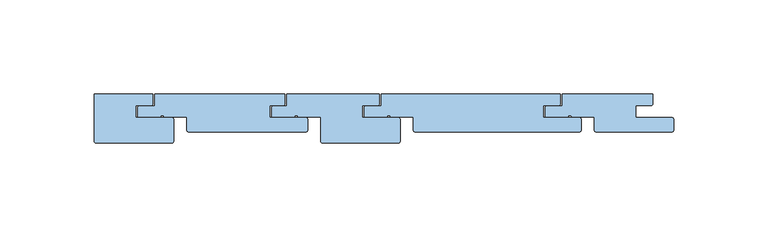
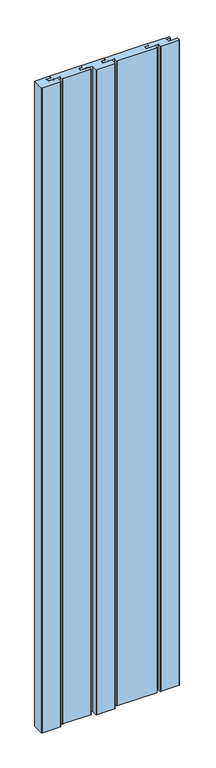
"""IFC4 building model written with IfcOpenShell, lengths in millimetres: window geometry."""

import ifcopenshell
import ifcopenshell.guid

model = None  # the IFC model being written
_history = None  # IfcOwnerHistory: only IFC2X3 demands one
_inside = {}  # id of a spatial element -> (the spatial element, [elements in it])
_under = {}  # id of a project, library or spatial element -> (it, [spatial elements below it])
_declared = {}  # id of a project -> (the project, [libraries it declares])
_typed = {}  # id of a type object -> (the type object, [elements of that type])
_made_of = {}  # id of a material, layer set ... -> (it, [elements and type objects made of it])


def new_model(schema):
    """Start an empty IFC model of exactly this schema.

    Asked for "IFC4X3", IfcOpenShell would pick the latest addendum, in which some entities
    have other attributes; the version numbers below select the first issue.
    IFC2X3 requires an IfcOwnerHistory on every rooted entity: one is made here for all.
    """
    global model, _history
    if schema == "IFC4X3":
        model = ifcopenshell.file(schema_version=(4, 3, 0, 0))
    else:
        model = ifcopenshell.file(schema=schema)
    _inside.clear()
    _under.clear()
    _declared.clear()
    _typed.clear()
    _made_of.clear()
    _history = None
    if model.schema == "IFC2X3":
        org = make("IfcOrganization", Name="unknown")
        user = make(
            "IfcPersonAndOrganization",
            ThePerson=make("IfcPerson", FamilyName="unknown"),
            TheOrganization=org,
        )
        app = make(
            "IfcApplication",
            ApplicationDeveloper=org,
            Version="unknown",
            ApplicationFullName="unknown",
            ApplicationIdentifier="unknown",
        )
        _history = make(
            "IfcOwnerHistory",
            OwningUser=user,
            OwningApplication=app,
            ChangeAction="ADDED",
            CreationDate=0,
        )
    return model


def make(cls, **values):
    """One entity of the class cls with the attributes given. An attribute that is None is left unset."""
    return model.create_entity(
        cls, **{name: value for name, value in values.items() if value is not None}
    )


def rooted(cls, **values):
    """An entity with a GlobalId (a new one), such as an element, a storey or a relation."""
    return make(cls, GlobalId=ifcopenshell.guid.new(), OwnerHistory=_history, **values)


def si_unit(unit_type, name, prefix=None):
    """IfcSIUnit, for example si_unit("LENGTHUNIT", "METRE", prefix="MILLI")."""
    return make("IfcSIUnit", UnitType=unit_type, Prefix=prefix, Name=name)


def assignment(units):
    """IfcUnitAssignment: the units of a project."""
    return None if units is None else make("IfcUnitAssignment", Units=units)


def point(xyz):
    """IfcCartesianPoint."""
    return None if xyz is None else make("IfcCartesianPoint", Coordinates=xyz)


def direction(xyz):
    """IfcDirection."""
    return None if xyz is None else make("IfcDirection", DirectionRatios=xyz)


def frame(location, z_axis=None, x_axis=None):
    """IfcAxis2Placement3D, a coordinate frame: its origin and axes. An axis left out is left unset."""
    return make(
        "IfcAxis2Placement3D",
        Location=point(location),
        Axis=direction(z_axis),
        RefDirection=direction(x_axis),
    )


def origin():
    """The frame at (0, 0, 0) with its axes left unset."""
    return frame((0.0, 0.0, 0.0))


def place(relative_to, where):
    """IfcLocalPlacement: puts the frame where relative to a parent placement (None: the world)."""
    return make(
        "IfcLocalPlacement", PlacementRelTo=relative_to, RelativePlacement=where
    )


def context(
    kind, dimensions, precision=None, world=None, true_north=None, identifier=None
):
    """IfcGeometricRepresentationContext, for example the 3D "Model" context."""
    return make(
        "IfcGeometricRepresentationContext",
        ContextIdentifier=identifier,
        ContextType=kind,
        CoordinateSpaceDimension=dimensions,
        Precision=precision,
        WorldCoordinateSystem=world,
        TrueNorth=true_north,
    )


def project(units=None, contexts=None):
    """IfcProject with its units and contexts."""
    return rooted(
        "IfcProject",
        Name="project",
        RepresentationContexts=contexts,
        UnitsInContext=assignment(units),
    )


def spatial(cls, under=None, at=None, **own):
    """A site, building, storey or space (cls), placed at a placement, below another one or the project."""
    s = rooted(cls, ObjectPlacement=at, **own)
    if under is not None:
        _under.setdefault(under.id(), (under, []))[1].append(s)
    return s


def polyline(points):
    """IfcPolyline through the points."""
    return make("IfcPolyline", Points=[point(p) for p in points])


def circle_curve(where, radius):
    """IfcCircle in the frame where."""
    return make("IfcCircle", Position=where, Radius=radius)


def shape(context_of_items, identifier, shape_type, items):
    """IfcShapeRepresentation: the items that make up one representation, for example the "Body"."""
    return make(
        "IfcShapeRepresentation",
        ContextOfItems=context_of_items,
        RepresentationIdentifier=identifier,
        RepresentationType=shape_type,
        Items=items,
    )


def source(mapping_origin, context_of_items, identifier, shape_type, items):
    """IfcRepresentationMap: a shape defined once, which mapped items show again and again."""
    return make(
        "IfcRepresentationMap",
        MappingOrigin=mapping_origin,
        MappedRepresentation=shape(context_of_items, identifier, shape_type, items),
    )


def transform(
    local_origin,
    x_axis=None,
    y_axis=None,
    z_axis=None,
    scale=None,
    scale2=None,
    scale3=None,
    uniform=True,
):
    """IfcCartesianTransformationOperator3D, or its non-uniform kind. x_axis, y_axis, z_axis: its Axis1, 2, 3."""
    if uniform:
        return make(
            "IfcCartesianTransformationOperator3D",
            Axis1=direction(x_axis),
            Axis2=direction(y_axis),
            LocalOrigin=point(local_origin),
            Scale=scale,
            Axis3=direction(z_axis),
        )
    return make(
        "IfcCartesianTransformationOperator3DnonUniform",
        Axis1=direction(x_axis),
        Axis2=direction(y_axis),
        LocalOrigin=point(local_origin),
        Scale=scale,
        Axis3=direction(z_axis),
        Scale2=scale2,
        Scale3=scale3,
    )


def mapped(mapping_source, mapping_target):
    """IfcMappedItem: shows the shape of a source again, moved by a transform."""
    return make(
        "IfcMappedItem", MappingSource=mapping_source, MappingTarget=mapping_target
    )


def made_of(thing, what):
    """Note that an element or type object is made of a material, layer set ...; save() writes the relation."""
    if what is not None:
        _made_of.setdefault(what.id(), (what, []))[1].append(thing)
    return thing


def element(
    cls,
    number,
    at=None,
    inside=None,
    cuts=None,
    type_object=None,
    material=None,
    context=None,
    identifier="Body",
    shape_type=None,
    held_by="IfcProductDefinitionShape",
    body=None,
    shapes=None,
    **own,
):
    """One element of the class cls, such as IfcWall. Its Tag is "e" and its number.

    at: its placement. inside: the storey or other place that contains it. cuts: it is an
    opening in that element (IfcRelVoidsElement). A single representation is given by context,
    identifier, shape_type and body (its items); several are given by shapes. held_by: the class
    of the entity that holds the representations. save() writes the other relations.
    """
    e = rooted(cls, Tag="e%d" % number, ObjectPlacement=at, **own)
    if body is not None:
        shapes = [shape(context, identifier, shape_type, body)]
    if shapes is not None:
        e.Representation = make(held_by, Representations=shapes)
    if inside is not None:
        _inside.setdefault(inside.id(), (inside, []))[1].append(e)
    if cuts is not None:
        rooted(
            "IfcRelVoidsElement", RelatingBuildingElement=cuts, RelatedOpeningElement=e
        )
    if type_object is not None:
        _typed.setdefault(type_object.id(), (type_object, []))[1].append(e)
    return made_of(e, material)


def aggregate(whole, parts):
    """IfcRelAggregates: a whole, such as a stair, and the parts it consists of."""
    return rooted("IfcRelAggregates", RelatingObject=whole, RelatedObjects=parts)


def save(model, path):
    """Write the relations noted so far, then the file.

    IfcRelAggregates (storeys below a building ...), IfcRelContainedInSpatialStructure (elements
    in a storey), IfcRelDefinesByType, IfcRelAssociatesMaterial and IfcRelDeclares: one each for
    every whole, place, type object, material and project.
    """
    for whole, parts in _under.values():
        aggregate(whole, parts)
    for where, things in _inside.values():
        rooted(
            "IfcRelContainedInSpatialStructure",
            RelatedElements=things,
            RelatingStructure=where,
        )
    for kind, things in _typed.values():
        rooted("IfcRelDefinesByType", RelatedObjects=things, RelatingType=kind)
    for what, things in _made_of.values():
        rooted("IfcRelAssociatesMaterial", RelatedObjects=things, RelatingMaterial=what)
    for by, libraries in _declared.values():
        rooted("IfcRelDeclares", RelatingContext=by, RelatedDefinitions=libraries)
    model.write(path)


def plane_surface(at):
    """IfcPlane: the flat surface through the origin of the frame at, square to its z axis."""
    return make("IfcPlane", Position=at)


def cylinder_surface(at, radius):
    """IfcCylindricalSurface: all points at the distance radius from the z axis of the frame at."""
    return make("IfcCylindricalSurface", Position=at, Radius=radius)


def revolved_surface(curve, axis_point, axis_direction):
    """IfcSurfaceOfRevolution: the curve turned about the line through axis_point along axis_direction."""
    return make(
        "IfcSurfaceOfRevolution",
        SweptCurve=make("IfcArbitraryOpenProfileDef", ProfileType="CURVE", Curve=curve),
        AxisPosition=make("IfcAxis1Placement", Location=point(axis_point), Axis=direction(axis_direction)),
    )


def advanced_brep(points, edges, surfaces, faces):
    """IfcAdvancedBrep: a solid bounded by faces that lie on surfaces and meet in shared edges.

    An edge is (start, end): straight between two places in points (the first is 0);
    or (start, end, curve); or (start, end, curve, False) where it runs against its curve.
    A face is (place in surfaces, loops), or (place, loops, False) where it looks against
    its surface's normal. A loop lists edges by number (the first is 1), with a minus sign
    where the edge is run from its end to its start. The first loop is the outer one.
    """
    corners = [point(p) for p in points]
    vertices = [make("IfcVertexPoint", VertexGeometry=c) for c in corners]
    made = []
    for start, end, *more in edges:
        made.append(
            make(
                "IfcEdgeCurve",
                EdgeStart=vertices[start],
                EdgeEnd=vertices[end],
                EdgeGeometry=more[0] if more else make("IfcPolyline", Points=[corners[start], corners[end]]),
                SameSense=more[1] if len(more) > 1 else True,
            )
        )
    hull = []
    for where, loops, *sense in faces:
        bounds = []
        for j, loop in enumerate(loops):
            ring = [make("IfcOrientedEdge", EdgeElement=made[abs(k) - 1], Orientation=k > 0) for k in loop]
            bounds.append(
                make(
                    "IfcFaceOuterBound" if j == 0 else "IfcFaceBound",
                    Bound=make("IfcEdgeLoop", EdgeList=ring),
                    Orientation=True,
                )
            )
        hull.append(make("IfcAdvancedFace", Bounds=bounds, FaceSurface=surfaces[where], SameSense=sense[0] if sense else True))
    return make("IfcAdvancedBrep", Outer=make("IfcClosedShell", CfsFaces=hull))


def window_dbae3ca9(model_context):
    return source(origin(), model_context, "Body", "AdvancedBrep", [
        advanced_brep(
        [(-470.5, -30.25, 100.0), (-463.5, -30.25, 100.0), (-463.5, -24.0, 100.0), (-414.5, -24.0, 100.0), (-414.5, -29.0, 100.0), (-415.5, -30.0, 100.0), (-423.5, -30.0, 100.0), (-423.5, -36.5, 100.0), (-404.5, -36.5, 100.0), (-403.5, -37.5, 100.0), (-403.5, -48.9818438, 100.0), (-404.5036459, -50.0, 100.0), (-444.4961892, -50.0, 100.0), (-445.5, -49.0000073, 100.0), (-445.5, -36.25, 100.0), (-456.7593234, -36.25, 100.0), (-457.6213296, -35.7465238, 100.0), (-459.3786704, -35.7465238, 100.0), (-460.2358303, -36.25, 100.0), (-471.5, -36.25, 100.0), (-471.5, -31.25, 100.0), (-470.5, -30.25, 1600.0), (-471.5, -31.25, 1600.0), (-471.5, -36.25, 1600.0), (-460.2358303, -36.25, 1600.0), (-459.3786704, -35.7465238, 1600.0), (-457.6213296, -35.7465238, 1600.0), (-456.7593234, -36.25, 1600.0), (-445.5, -36.25, 1600.0), (-445.5, -49.0000073, 1600.0), (-444.4961892, -50.0, 1600.0), (-404.5036459, -50.0, 1600.0), (-403.5, -48.9818438, 1600.0), (-403.5, -37.5, 1600.0), (-404.5, -36.5, 1600.0), (-423.5, -36.5, 1600.0), (-423.5, -30.0, 1600.0), (-415.5, -30.0, 1600.0), (-414.5, -29.0, 1600.0), (-414.5, -24.0, 1600.0), (-463.5, -24.0, 1600.0), (-463.5, -30.25, 1600.0)],
        [
            (0, 1),
            (1, 2),
            (2, 3),
            (3, 4),
            (4, 5, circle_curve(frame((-415.5, -29.0, 100.0), z_axis=(0.0, 0.0, -1.0), x_axis=(1.0, 0.0, 0.0)), 1.0)),
            (5, 6),
            (6, 7),
            (7, 8),
            (8, 9, circle_curve(frame((-404.5, -37.5, 100.0), z_axis=(0.0, 0.0, -1.0), x_axis=(0.0, 1.0, 0.0)), 1.0)),
            (9, 10),
            (10, 11, circle_curve(frame((-404.499835, -49.0000073, 100.0), z_axis=(0.0, 0.0, -1.0), x_axis=(0.9998350304118646, 0.018163478777638065, 0.0)), 1.0)),
            (11, 12),
            (12, 13, circle_curve(frame((-444.5, -49.0000073, 100.0), z_axis=(0.0, 0.0, -1.0), x_axis=(0.0038108417907020734, -0.99999273871606, 0.0)), 1.0)),
            (13, 14),
            (14, 15),
            (15, 16, circle_curve(frame((-456.7531214, -35.2497192, 100.0), z_axis=(0.0, 0.0, -1.0), x_axis=(-0.006200139387016843, -0.9999807789510665, 0.0)), 1.0003001)),
            (16, 17, circle_curve(frame((-458.5, -36.2239526, 100.0), z_axis=(0.0, 0.0, 1.0), x_axis=(0.878670405032909, 0.4774288630982668, 0.0)), 1.0)),
            (17, 18, circle_curve(frame((-460.2467275, -35.2500594, 100.0), z_axis=(0.0, 0.0, -1.0), x_axis=(0.8680570812982431, -0.4964644031629814, 0.0)), 1.0)),
            (18, 19),
            (19, 20),
            (20, 0, circle_curve(frame((-470.5, -31.25, 100.0), z_axis=(0.0, 0.0, -1.0), x_axis=(-1.0, 0.0, 0.0)), 1.0)),
            (21, 22, circle_curve(frame((-470.5, -31.25, 1600.0), z_axis=(0.0, 0.0, 1.0), x_axis=(-1.0, 0.0, 0.0)), 1.0)),
            (22, 23),
            (23, 24),
            (24, 25, circle_curve(frame((-460.2467275, -35.2500594, 1600.0), z_axis=(0.0, 0.0, 1.0), x_axis=(0.8680570812982431, -0.4964644031629814, 0.0)), 1.0)),
            (25, 26, circle_curve(frame((-458.5, -36.2239526, 1600.0), z_axis=(0.0, 0.0, -1.0), x_axis=(0.878670405032909, 0.4774288630982668, 0.0)), 1.0)),
            (26, 27, circle_curve(frame((-456.7531214, -35.2497192, 1600.0), z_axis=(0.0, 0.0, 1.0), x_axis=(-0.006200139387016843, -0.9999807789510665, 0.0)), 1.0003001)),
            (27, 28),
            (28, 29),
            (29, 30, circle_curve(frame((-444.5, -49.0000073, 1600.0), z_axis=(0.0, 0.0, 1.0), x_axis=(0.0038108417907020734, -0.99999273871606, 0.0)), 1.0)),
            (30, 31),
            (31, 32, circle_curve(frame((-404.499835, -49.0000073, 1600.0), z_axis=(0.0, 0.0, 1.0), x_axis=(0.9998350304118646, 0.018163478777638065, 0.0)), 1.0)),
            (32, 33),
            (33, 34, circle_curve(frame((-404.5, -37.5, 1600.0), z_axis=(0.0, 0.0, 1.0), x_axis=(0.0, 1.0, 0.0)), 1.0)),
            (34, 35),
            (35, 36),
            (36, 37),
            (37, 38, circle_curve(frame((-415.5, -29.0, 1600.0), z_axis=(0.0, 0.0, 1.0), x_axis=(1.0, 0.0, 0.0)), 1.0)),
            (38, 39),
            (39, 40),
            (40, 41),
            (41, 21),
            (20, 22),
            (21, 0),
            (19, 23),
            (18, 24),
            (17, 25),
            (16, 26),
            (15, 27),
            (14, 28),
            (13, 29),
            (12, 30),
            (11, 31),
            (10, 32),
            (9, 33),
            (8, 34),
            (7, 35),
            (6, 36),
            (5, 37),
            (4, 38),
            (3, 39),
            (2, 40),
            (1, 41),
        ],
        [
            plane_surface(frame((-566.5, -100.0, 100.0), z_axis=(0.0, 0.0, -1.0), x_axis=(1.0, 0.0, 0.0))),
            plane_surface(frame((-566.5, -100.0, 1600.0), z_axis=(0.0, 0.0, 1.0), x_axis=(1.0, 0.0, 0.0))),
            cylinder_surface(frame((-470.5, -31.25, 100.0), z_axis=(0.0, 0.0, -1.0), x_axis=(-1.0, 0.0, 0.0)), 1.0),
            plane_surface(frame((-471.5, -31.25, 100.0), z_axis=(-1.0, 0.0, 0.0), x_axis=(0.0, 0.0, 1.0))),
            plane_surface(frame((-471.5, -36.25, 100.0), z_axis=(0.0, -1.0, 0.0), x_axis=(0.0, 0.0, 1.0))),
            cylinder_surface(frame((-460.2467275, -35.2500594, 100.0), z_axis=(0.0, 0.0, -1.0), x_axis=(0.8680570812982431, -0.4964644031629814, 0.0)), 1.0),
            revolved_surface(polyline([(-457.6213295949671, -35.74652373690173, 1600.0000000000005), (-457.6213295949671, -35.74652373690173, 100.0)]), (-458.5, -36.2239526, 100.0), (0.0, 0.0, 1.0000000000000002)),
            cylinder_surface(frame((-456.7531214, -35.2497192, 100.0), z_axis=(0.0, 0.0, -1.0), x_axis=(-0.006200139387016843, -0.9999807789510665, 0.0)), 1.0003001),
            plane_surface(frame((-456.7593234, -36.25, 100.0), z_axis=(0.0, -1.0, 0.0), x_axis=(0.0, 0.0, 1.0))),
            plane_surface(frame((-445.5, -36.25, 100.0), z_axis=(-1.0, 0.0, 0.0), x_axis=(0.0, 0.0, 1.0))),
            cylinder_surface(frame((-444.5, -49.0000073, 100.0), z_axis=(0.0, 0.0, -1.0), x_axis=(0.0038108417907020734, -0.99999273871606, 0.0)), 1.0),
            plane_surface(frame((-444.4961892, -50.0, 100.0), z_axis=(0.0, -1.0, 0.0), x_axis=(0.0, 0.0, 1.0))),
            cylinder_surface(frame((-404.499835, -49.0000073, 100.0), z_axis=(0.0, 0.0, -1.0), x_axis=(0.9998350304118646, 0.018163478777638065, 0.0)), 1.0),
            plane_surface(frame((-403.5, -48.9818438, 100.0), z_axis=(1.0, 0.0, 0.0), x_axis=(0.0, 0.0, 1.0))),
            cylinder_surface(frame((-404.5, -37.5, 100.0), z_axis=(0.0, 0.0, -1.0), x_axis=(0.0, 1.0, 0.0)), 1.0),
            plane_surface(frame((-404.5, -36.5, 100.0), z_axis=(0.0, 1.0, 0.0), x_axis=(0.0, 0.0, 1.0))),
            plane_surface(frame((-423.5, -36.5, 100.0), z_axis=(1.0, 0.0, 0.0), x_axis=(0.0, 0.0, 1.0))),
            plane_surface(frame((-423.5, -30.0, 100.0), z_axis=(0.0, -1.0, 0.0), x_axis=(0.0, 0.0, 1.0))),
            cylinder_surface(frame((-415.5, -29.0, 100.0), z_axis=(0.0, 0.0, -1.0), x_axis=(1.0, 0.0, 0.0)), 1.0),
            plane_surface(frame((-414.5, -29.0, 100.0), z_axis=(1.0, 0.0, 0.0), x_axis=(0.0, 0.0, 1.0))),
            plane_surface(frame((-414.5, -24.0, 100.0), z_axis=(0.0, 1.0, 0.0), x_axis=(0.0, 0.0, 1.0))),
            plane_surface(frame((-463.5, -24.0, 100.0), z_axis=(-1.0, 0.0, 0.0), x_axis=(0.0, 0.0, 1.0))),
            plane_surface(frame((-463.5, -30.25, 100.0), z_axis=(0.0, 1.0, 0.0), x_axis=(0.0, 0.0, 1.0))),
        ],
        [
            (0, [[1, 2, 3, 4, 5, 6, 7, 8, 9, 10, 11, 12, 13, 14, 15, 16, 17, 18, 19, 20, 21]]),
            (1, [[22, 23, 24, 25, 26, 27, 28, 29, 30, 31, 32, 33, 34, 35, 36, 37, 38, 39, 40, 41, 42]]),
            (2, [[43, -22, 44, -21]]),
            (3, [[45, -23, -43, -20]]),
            (4, [[46, -24, -45, -19]]),
            (5, [[47, -25, -46, -18]]),
            (6, [[48, -26, -47, -17]]),
            (7, [[49, -27, -48, -16]]),
            (8, [[50, -28, -49, -15]]),
            (9, [[51, -29, -50, -14]]),
            (10, [[52, -30, -51, -13]]),
            (11, [[53, -31, -52, -12]]),
            (12, [[54, -32, -53, -11]]),
            (13, [[55, -33, -54, -10]]),
            (14, [[56, -34, -55, -9]]),
            (15, [[57, -35, -56, -8]]),
            (16, [[58, -36, -57, -7]]),
            (17, [[59, -37, -58, -6]]),
            (18, [[60, -38, -59, -5]]),
            (19, [[61, -39, -60, -4]]),
            (20, [[62, -40, -61, -3]]),
            (21, [[63, -41, -62, -2]]),
            (22, [[-44, -42, -63, -1]]),
        ],
    ),
        advanced_brep(
        [(-421.5, -30.25, 100.0), (-413.5, -30.25, 100.0), (-413.5, -24.0, 100.0), (-318.5, -24.0, 100.0), (-318.5, -29.0, 100.0), (-319.5, -30.0, 100.0), (-327.5, -30.0, 100.0), (-327.5, -36.5, 100.0), (-308.5, -36.5, 100.0), (-307.5, -37.5, 100.0), (-307.5, -42.9818438, 100.0), (-308.5036459, -44.0, 100.0), (-395.4961892, -44.0, 100.0), (-396.5, -43.0000073, 100.0), (-396.5, -36.25, 100.0), (-407.7593234, -36.25, 100.0), (-408.6213296, -35.7465238, 100.0), (-410.3786704, -35.7465238, 100.0), (-411.2358303, -36.25, 100.0), (-422.5, -36.25, 100.0), (-422.5, -31.25, 100.0), (-421.5, -30.25, 1600.0), (-422.5, -31.25, 1600.0), (-422.5, -36.25, 1600.0), (-411.2358303, -36.25, 1600.0), (-410.3786704, -35.7465238, 1600.0), (-408.6213296, -35.7465238, 1600.0), (-407.7593234, -36.25, 1600.0), (-396.5, -36.25, 1600.0), (-396.5, -43.0000073, 1600.0), (-395.4961892, -44.0, 1600.0), (-308.5036459, -44.0, 1600.0), (-307.5, -42.9818438, 1600.0), (-307.5, -37.5, 1600.0), (-308.5, -36.5, 1600.0), (-327.5, -36.5, 1600.0), (-327.5, -30.0, 1600.0), (-319.5, -30.0, 1600.0), (-318.5, -29.0, 1600.0), (-318.5, -24.0, 1600.0), (-413.5, -24.0, 1600.0), (-413.5, -30.25, 1600.0)],
        [
            (0, 1),
            (1, 2),
            (2, 3),
            (3, 4),
            (4, 5, circle_curve(frame((-319.5, -29.0, 100.0), z_axis=(0.0, 0.0, -1.0), x_axis=(1.0, 0.0, 0.0)), 1.0)),
            (5, 6),
            (6, 7),
            (7, 8),
            (8, 9, circle_curve(frame((-308.5, -37.5, 100.0), z_axis=(0.0, 0.0, -1.0), x_axis=(0.0, 1.0, 0.0)), 1.0)),
            (9, 10),
            (10, 11, circle_curve(frame((-308.499835, -43.0000073, 100.0), z_axis=(0.0, 0.0, -1.0), x_axis=(0.9998350304118646, 0.018163478777638065, 0.0)), 1.0)),
            (11, 12),
            (12, 13, circle_curve(frame((-395.5, -43.0000073, 100.0), z_axis=(0.0, 0.0, -1.0), x_axis=(0.0038108417907020734, -0.99999273871606, 0.0)), 1.0)),
            (13, 14),
            (14, 15),
            (15, 16, circle_curve(frame((-407.7531214, -35.2497192, 100.0), z_axis=(0.0, 0.0, -1.0), x_axis=(-0.006200139387016843, -0.9999807789510665, 0.0)), 1.0003001)),
            (16, 17, circle_curve(frame((-409.5, -36.2239526, 100.0), z_axis=(0.0, 0.0, 1.0), x_axis=(0.878670405032909, 0.4774288630982668, 0.0)), 1.0)),
            (17, 18, circle_curve(frame((-411.2467275, -35.2500594, 100.0), z_axis=(0.0, 0.0, -1.0), x_axis=(0.8680570812982431, -0.4964644031629814, 0.0)), 1.0)),
            (18, 19),
            (19, 20),
            (20, 0, circle_curve(frame((-421.5, -31.25, 100.0), z_axis=(0.0, 0.0, -1.0), x_axis=(-1.0, 0.0, 0.0)), 1.0)),
            (21, 22, circle_curve(frame((-421.5, -31.25, 1600.0), z_axis=(0.0, 0.0, 1.0), x_axis=(-1.0, 0.0, 0.0)), 1.0)),
            (22, 23),
            (23, 24),
            (24, 25, circle_curve(frame((-411.2467275, -35.2500594, 1600.0), z_axis=(0.0, 0.0, 1.0), x_axis=(0.8680570812982431, -0.4964644031629814, 0.0)), 1.0)),
            (25, 26, circle_curve(frame((-409.5, -36.2239526, 1600.0), z_axis=(0.0, 0.0, -1.0), x_axis=(0.878670405032909, 0.4774288630982668, 0.0)), 1.0)),
            (26, 27, circle_curve(frame((-407.7531214, -35.2497192, 1600.0), z_axis=(0.0, 0.0, 1.0), x_axis=(-0.006200139387016843, -0.9999807789510665, 0.0)), 1.0003001)),
            (27, 28),
            (28, 29),
            (29, 30, circle_curve(frame((-395.5, -43.0000073, 1600.0), z_axis=(0.0, 0.0, 1.0), x_axis=(0.0038108417907020734, -0.99999273871606, 0.0)), 1.0)),
            (30, 31),
            (31, 32, circle_curve(frame((-308.499835, -43.0000073, 1600.0), z_axis=(0.0, 0.0, 1.0), x_axis=(0.9998350304118646, 0.018163478777638065, 0.0)), 1.0)),
            (32, 33),
            (33, 34, circle_curve(frame((-308.5, -37.5, 1600.0), z_axis=(0.0, 0.0, 1.0), x_axis=(0.0, 1.0, 0.0)), 1.0)),
            (34, 35),
            (35, 36),
            (36, 37),
            (37, 38, circle_curve(frame((-319.5, -29.0, 1600.0), z_axis=(0.0, 0.0, 1.0), x_axis=(1.0, 0.0, 0.0)), 1.0)),
            (38, 39),
            (39, 40),
            (40, 41),
            (41, 21),
            (20, 22),
            (21, 0),
            (19, 23),
            (18, 24),
            (17, 25),
            (16, 26),
            (15, 27),
            (14, 28),
            (13, 29),
            (12, 30),
            (11, 31),
            (10, 32),
            (9, 33),
            (8, 34),
            (7, 35),
            (6, 36),
            (5, 37),
            (4, 38),
            (3, 39),
            (2, 40),
            (1, 41),
        ],
        [
            plane_surface(frame((-566.5, -100.0, 100.0), z_axis=(0.0, 0.0, -1.0), x_axis=(1.0, 0.0, 0.0))),
            plane_surface(frame((-566.5, -100.0, 1600.0), z_axis=(0.0, 0.0, 1.0), x_axis=(1.0, 0.0, 0.0))),
            cylinder_surface(frame((-421.5, -31.25, 100.0), z_axis=(0.0, 0.0, -1.0), x_axis=(-1.0, 0.0, 0.0)), 1.0),
            plane_surface(frame((-422.5, -31.25, 100.0), z_axis=(-1.0, 0.0, 0.0), x_axis=(0.0, 0.0, 1.0))),
            plane_surface(frame((-422.5, -36.25, 100.0), z_axis=(0.0, -1.0, 0.0), x_axis=(0.0, 0.0, 1.0))),
            cylinder_surface(frame((-411.2467275, -35.2500594, 100.0), z_axis=(0.0, 0.0, -1.0), x_axis=(0.8680570812982431, -0.4964644031629814, 0.0)), 1.0),
            revolved_surface(polyline([(-408.6213295949671, -35.74652373690173, 1600.0000000000005), (-408.6213295949671, -35.74652373690173, 100.0)]), (-409.5, -36.2239526, 100.0), (0.0, 0.0, 1.0000000000000002)),
            cylinder_surface(frame((-407.7531214, -35.2497192, 100.0), z_axis=(0.0, 0.0, -1.0), x_axis=(-0.006200139387016843, -0.9999807789510665, 0.0)), 1.0003001),
            plane_surface(frame((-407.7593234, -36.25, 100.0), z_axis=(0.0, -1.0, 0.0), x_axis=(0.0, 0.0, 1.0))),
            plane_surface(frame((-396.5, -36.25, 100.0), z_axis=(-1.0, 0.0, 0.0), x_axis=(0.0, 0.0, 1.0))),
            cylinder_surface(frame((-395.5, -43.0000073, 100.0), z_axis=(0.0, 0.0, -1.0), x_axis=(0.0038108417907020734, -0.99999273871606, 0.0)), 1.0),
            plane_surface(frame((-395.4961892, -44.0, 100.0), z_axis=(0.0, -1.0, 0.0), x_axis=(0.0, 0.0, 1.0))),
            cylinder_surface(frame((-308.499835, -43.0000073, 100.0), z_axis=(0.0, 0.0, -1.0), x_axis=(0.9998350304118646, 0.018163478777638065, 0.0)), 1.0),
            plane_surface(frame((-307.5, -42.9818438, 100.0), z_axis=(1.0, 0.0, 0.0), x_axis=(0.0, 0.0, 1.0))),
            cylinder_surface(frame((-308.5, -37.5, 100.0), z_axis=(0.0, 0.0, -1.0), x_axis=(0.0, 1.0, 0.0)), 1.0),
            plane_surface(frame((-308.5, -36.5, 100.0), z_axis=(0.0, 1.0, 0.0), x_axis=(0.0, 0.0, 1.0))),
            plane_surface(frame((-327.5, -36.5, 100.0), z_axis=(1.0, 0.0, 0.0), x_axis=(0.0, 0.0, 1.0))),
            plane_surface(frame((-327.5, -30.0, 100.0), z_axis=(0.0, -1.0, 0.0), x_axis=(0.0, 0.0, 1.0))),
            cylinder_surface(frame((-319.5, -29.0, 100.0), z_axis=(0.0, 0.0, -1.0), x_axis=(1.0, 0.0, 0.0)), 1.0),
            plane_surface(frame((-318.5, -29.0, 100.0), z_axis=(1.0, 0.0, 0.0), x_axis=(0.0, 0.0, 1.0))),
            plane_surface(frame((-318.5, -24.0, 100.0), z_axis=(0.0, 1.0, 0.0), x_axis=(0.0, 0.0, 1.0))),
            plane_surface(frame((-413.5, -24.0, 100.0), z_axis=(-1.0, 0.0, 0.0), x_axis=(0.0, 0.0, 1.0))),
            plane_surface(frame((-413.5, -30.25, 100.0), z_axis=(0.0, 1.0, 0.0), x_axis=(0.0, 0.0, 1.0))),
        ],
        [
            (0, [[1, 2, 3, 4, 5, 6, 7, 8, 9, 10, 11, 12, 13, 14, 15, 16, 17, 18, 19, 20, 21]]),
            (1, [[22, 23, 24, 25, 26, 27, 28, 29, 30, 31, 32, 33, 34, 35, 36, 37, 38, 39, 40, 41, 42]]),
            (2, [[43, -22, 44, -21]]),
            (3, [[45, -23, -43, -20]]),
            (4, [[46, -24, -45, -19]]),
            (5, [[47, -25, -46, -18]]),
            (6, [[48, -26, -47, -17]]),
            (7, [[49, -27, -48, -16]]),
            (8, [[50, -28, -49, -15]]),
            (9, [[51, -29, -50, -14]]),
            (10, [[52, -30, -51, -13]]),
            (11, [[53, -31, -52, -12]]),
            (12, [[54, -32, -53, -11]]),
            (13, [[55, -33, -54, -10]]),
            (14, [[56, -34, -55, -9]]),
            (15, [[57, -35, -56, -8]]),
            (16, [[58, -36, -57, -7]]),
            (17, [[59, -37, -58, -6]]),
            (18, [[60, -38, -59, -5]]),
            (19, [[61, -39, -60, -4]]),
            (20, [[62, -40, -61, -3]]),
            (21, [[63, -41, -62, -2]]),
            (22, [[-44, -42, -63, -1]]),
        ],
    ),
        advanced_brep(
        [(-325.5, -30.25, 100.0), (-317.5, -30.25, 100.0), (-317.5, -24.0, 100.0), (-269.5, -24.0, 100.0), (-269.5, -29.0, 100.0), (-270.5, -30.0, 100.0), (-278.5, -30.0, 100.0), (-278.5, -36.5, 100.0), (-259.5, -36.5, 100.0), (-258.5, -37.5, 100.0), (-258.5, -42.9818438, 100.0), (-259.5036459, -44.0, 100.0), (-299.4961892, -44.0, 100.0), (-300.5, -43.0000073, 100.0), (-300.5, -36.25, 100.0), (-311.7593234, -36.25, 100.0), (-312.6213296, -35.7465238, 100.0), (-314.3786704, -35.7465238, 100.0), (-315.2358303, -36.25, 100.0), (-326.5, -36.25, 100.0), (-326.5, -31.25, 100.0), (-325.5, -30.25, 1600.0), (-326.5, -31.25, 1600.0), (-326.5, -36.25, 1600.0), (-315.2358303, -36.25, 1600.0), (-314.3786704, -35.7465238, 1600.0), (-312.6213296, -35.7465238, 1600.0), (-311.7593234, -36.25, 1600.0), (-300.5, -36.25, 1600.0), (-300.5, -43.0000073, 1600.0), (-299.4961892, -44.0, 1600.0), (-259.5036459, -44.0, 1600.0), (-258.5, -42.9818438, 1600.0), (-258.5, -37.5, 1600.0), (-259.5, -36.5, 1600.0), (-278.5, -36.5, 1600.0), (-278.5, -30.0, 1600.0), (-270.5, -30.0, 1600.0), (-269.5, -29.0, 1600.0), (-269.5, -24.0, 1600.0), (-317.5, -24.0, 1600.0), (-317.5, -30.25, 1600.0)],
        [
            (0, 1),
            (1, 2),
            (2, 3),
            (3, 4),
            (4, 5, circle_curve(frame((-270.5, -29.0, 100.0), z_axis=(0.0, 0.0, -1.0), x_axis=(1.0, 0.0, 0.0)), 1.0)),
            (5, 6),
            (6, 7),
            (7, 8),
            (8, 9, circle_curve(frame((-259.5, -37.5, 100.0), z_axis=(0.0, 0.0, -1.0), x_axis=(0.0, 1.0, 0.0)), 1.0)),
            (9, 10),
            (10, 11, circle_curve(frame((-259.499835, -43.0000073, 100.0), z_axis=(0.0, 0.0, -1.0), x_axis=(0.9998350304118646, 0.018163478777638065, 0.0)), 1.0)),
            (11, 12),
            (12, 13, circle_curve(frame((-299.5, -43.0000073, 100.0), z_axis=(0.0, 0.0, -1.0), x_axis=(0.0038108417907020734, -0.99999273871606, 0.0)), 1.0)),
            (13, 14),
            (14, 15),
            (15, 16, circle_curve(frame((-311.7531214, -35.2497192, 100.0), z_axis=(0.0, 0.0, -1.0), x_axis=(-0.006200139387016843, -0.9999807789510665, 0.0)), 1.0003001)),
            (16, 17, circle_curve(frame((-313.5, -36.2239526, 100.0), z_axis=(0.0, 0.0, 1.0), x_axis=(0.878670405032909, 0.4774288630982668, 0.0)), 1.0)),
            (17, 18, circle_curve(frame((-315.2467275, -35.2500594, 100.0), z_axis=(0.0, 0.0, -1.0), x_axis=(0.8680570812982431, -0.4964644031629814, 0.0)), 1.0)),
            (18, 19),
            (19, 20),
            (20, 0, circle_curve(frame((-325.5, -31.25, 100.0), z_axis=(0.0, 0.0, -1.0), x_axis=(-1.0, 0.0, 0.0)), 1.0)),
            (21, 22, circle_curve(frame((-325.5, -31.25, 1600.0), z_axis=(0.0, 0.0, 1.0), x_axis=(-1.0, 0.0, 0.0)), 1.0)),
            (22, 23),
            (23, 24),
            (24, 25, circle_curve(frame((-315.2467275, -35.2500594, 1600.0), z_axis=(0.0, 0.0, 1.0), x_axis=(0.8680570812982431, -0.4964644031629814, 0.0)), 1.0)),
            (25, 26, circle_curve(frame((-313.5, -36.2239526, 1600.0), z_axis=(0.0, 0.0, -1.0), x_axis=(0.878670405032909, 0.4774288630982668, 0.0)), 1.0)),
            (26, 27, circle_curve(frame((-311.7531214, -35.2497192, 1600.0), z_axis=(0.0, 0.0, 1.0), x_axis=(-0.006200139387016843, -0.9999807789510665, 0.0)), 1.0003001)),
            (27, 28),
            (28, 29),
            (29, 30, circle_curve(frame((-299.5, -43.0000073, 1600.0), z_axis=(0.0, 0.0, 1.0), x_axis=(0.0038108417907020734, -0.99999273871606, 0.0)), 1.0)),
            (30, 31),
            (31, 32, circle_curve(frame((-259.499835, -43.0000073, 1600.0), z_axis=(0.0, 0.0, 1.0), x_axis=(0.9998350304118646, 0.018163478777638065, 0.0)), 1.0)),
            (32, 33),
            (33, 34, circle_curve(frame((-259.5, -37.5, 1600.0), z_axis=(0.0, 0.0, 1.0), x_axis=(0.0, 1.0, 0.0)), 1.0)),
            (34, 35),
            (35, 36),
            (36, 37),
            (37, 38, circle_curve(frame((-270.5, -29.0, 1600.0), z_axis=(0.0, 0.0, 1.0), x_axis=(1.0, 0.0, 0.0)), 1.0)),
            (38, 39),
            (39, 40),
            (40, 41),
            (41, 21),
            (20, 22),
            (21, 0),
            (19, 23),
            (18, 24),
            (17, 25),
            (16, 26),
            (15, 27),
            (14, 28),
            (13, 29),
            (12, 30),
            (11, 31),
            (10, 32),
            (9, 33),
            (8, 34),
            (7, 35),
            (6, 36),
            (5, 37),
            (4, 38),
            (3, 39),
            (2, 40),
            (1, 41),
        ],
        [
            plane_surface(frame((-566.5, -100.0, 100.0), z_axis=(0.0, 0.0, -1.0), x_axis=(1.0, 0.0, 0.0))),
            plane_surface(frame((-566.5, -100.0, 1600.0), z_axis=(0.0, 0.0, 1.0), x_axis=(1.0, 0.0, 0.0))),
            cylinder_surface(frame((-325.5, -31.25, 100.0), z_axis=(0.0, 0.0, -1.0), x_axis=(-1.0, 0.0, 0.0)), 1.0),
            plane_surface(frame((-326.5, -31.25, 100.0), z_axis=(-1.0, 0.0, 0.0), x_axis=(0.0, 0.0, 1.0))),
            plane_surface(frame((-326.5, -36.25, 100.0), z_axis=(0.0, -1.0, 0.0), x_axis=(0.0, 0.0, 1.0))),
            cylinder_surface(frame((-315.2467275, -35.2500594, 100.0), z_axis=(0.0, 0.0, -1.0), x_axis=(0.8680570812982431, -0.4964644031629814, 0.0)), 1.0),
            revolved_surface(polyline([(-312.6213295949671, -35.74652373690173, 1600.0000000000005), (-312.6213295949671, -35.74652373690173, 100.0)]), (-313.5, -36.2239526, 100.0), (0.0, 0.0, 1.0000000000000002)),
            cylinder_surface(frame((-311.7531214, -35.2497192, 100.0), z_axis=(0.0, 0.0, -1.0), x_axis=(-0.006200139387016843, -0.9999807789510665, 0.0)), 1.0003001),
            plane_surface(frame((-311.7593234, -36.25, 100.0), z_axis=(0.0, -1.0, 0.0), x_axis=(0.0, 0.0, 1.0))),
            plane_surface(frame((-300.5, -36.25, 100.0), z_axis=(-1.0, 0.0, 0.0), x_axis=(0.0, 0.0, 1.0))),
            cylinder_surface(frame((-299.5, -43.0000073, 100.0), z_axis=(0.0, 0.0, -1.0), x_axis=(0.0038108417907020734, -0.99999273871606, 0.0)), 1.0),
            plane_surface(frame((-299.4961892, -44.0, 100.0), z_axis=(0.0, -1.0, 0.0), x_axis=(0.0, 0.0, 1.0))),
            cylinder_surface(frame((-259.499835, -43.0000073, 100.0), z_axis=(0.0, 0.0, -1.0), x_axis=(0.9998350304118646, 0.018163478777638065, 0.0)), 1.0),
            plane_surface(frame((-258.5, -42.9818438, 100.0), z_axis=(1.0, 0.0, 0.0), x_axis=(0.0, 0.0, 1.0))),
            cylinder_surface(frame((-259.5, -37.5, 100.0), z_axis=(0.0, 0.0, -1.0), x_axis=(0.0, 1.0, 0.0)), 1.0),
            plane_surface(frame((-259.5, -36.5, 100.0), z_axis=(0.0, 1.0, 0.0), x_axis=(0.0, 0.0, 1.0))),
            plane_surface(frame((-278.5, -36.5, 100.0), z_axis=(1.0, 0.0, 0.0), x_axis=(0.0, 0.0, 1.0))),
            plane_surface(frame((-278.5, -30.0, 100.0), z_axis=(0.0, -1.0, 0.0), x_axis=(0.0, 0.0, 1.0))),
            cylinder_surface(frame((-270.5, -29.0, 100.0), z_axis=(0.0, 0.0, -1.0), x_axis=(1.0, 0.0, 0.0)), 1.0),
            plane_surface(frame((-269.5, -29.0, 100.0), z_axis=(1.0, 0.0, 0.0), x_axis=(0.0, 0.0, 1.0))),
            plane_surface(frame((-269.5, -24.0, 100.0), z_axis=(0.0, 1.0, 0.0), x_axis=(0.0, 0.0, 1.0))),
            plane_surface(frame((-317.5, -24.0, 100.0), z_axis=(-1.0, 0.0, 0.0), x_axis=(0.0, 0.0, 1.0))),
            plane_surface(frame((-317.5, -30.25, 100.0), z_axis=(0.0, 1.0, 0.0), x_axis=(0.0, 0.0, 1.0))),
        ],
        [
            (0, [[1, 2, 3, 4, 5, 6, 7, 8, 9, 10, 11, 12, 13, 14, 15, 16, 17, 18, 19, 20, 21]]),
            (1, [[22, 23, 24, 25, 26, 27, 28, 29, 30, 31, 32, 33, 34, 35, 36, 37, 38, 39, 40, 41, 42]]),
            (2, [[43, -22, 44, -21]]),
            (3, [[45, -23, -43, -20]]),
            (4, [[46, -24, -45, -19]]),
            (5, [[47, -25, -46, -18]]),
            (6, [[48, -26, -47, -17]]),
            (7, [[49, -27, -48, -16]]),
            (8, [[50, -28, -49, -15]]),
            (9, [[51, -29, -50, -14]]),
            (10, [[52, -30, -51, -13]]),
            (11, [[53, -31, -52, -12]]),
            (12, [[54, -32, -53, -11]]),
            (13, [[55, -33, -54, -10]]),
            (14, [[56, -34, -55, -9]]),
            (15, [[57, -35, -56, -8]]),
            (16, [[58, -36, -57, -7]]),
            (17, [[59, -37, -58, -6]]),
            (18, [[60, -38, -59, -5]]),
            (19, [[61, -39, -60, -4]]),
            (20, [[62, -40, -61, -3]]),
            (21, [[63, -41, -62, -2]]),
            (22, [[-44, -42, -63, -1]]),
        ],
    ),
        advanced_brep(
        [(-541.5, -30.25, 100.0), (-533.5, -30.25, 100.0), (-533.5, -24.0, 100.0), (-464.5, -24.0, 100.0), (-464.5, -29.0, 100.0), (-465.5, -30.0, 100.0), (-472.5, -30.0, 100.0), (-472.5, -36.5, 100.0), (-453.5, -36.5, 100.0), (-452.5, -37.5, 100.0), (-452.5, -42.9818438, 100.0), (-453.5036459, -44.0, 100.0), (-515.4961892, -44.0, 100.0), (-516.5, -43.0000073, 100.0), (-516.5, -36.25, 100.0), (-527.7593234, -36.25, 100.0), (-528.6213296, -35.7465238, 100.0), (-530.3786704, -35.7465238, 100.0), (-531.2358303, -36.25, 100.0), (-542.5, -36.25, 100.0), (-542.5, -31.25, 100.0), (-541.5, -30.25, 1600.0), (-542.5, -31.25, 1600.0), (-542.5, -36.25, 1600.0), (-531.2358303, -36.25, 1600.0), (-530.3786704, -35.7465238, 1600.0), (-528.6213296, -35.7465238, 1600.0), (-527.7593234, -36.25, 1600.0), (-516.5, -36.25, 1600.0), (-516.5, -43.0000073, 1600.0), (-515.4961892, -44.0, 1600.0), (-453.5036459, -44.0, 1600.0), (-452.5, -42.9818438, 1600.0), (-452.5, -37.5, 1600.0), (-453.5, -36.5, 1600.0), (-472.5, -36.5, 1600.0), (-472.5, -30.0, 1600.0), (-465.5, -30.0, 1600.0), (-464.5, -29.0, 1600.0), (-464.5, -24.0, 1600.0), (-533.5, -24.0, 1600.0), (-533.5, -30.25, 1600.0)],
        [
            (0, 1),
            (1, 2),
            (2, 3),
            (3, 4),
            (4, 5, circle_curve(frame((-465.5, -29.0, 100.0), z_axis=(0.0, 0.0, -1.0), x_axis=(1.0, 0.0, 0.0)), 1.0)),
            (5, 6),
            (6, 7),
            (7, 8),
            (8, 9, circle_curve(frame((-453.5, -37.5, 100.0), z_axis=(0.0, 0.0, -1.0), x_axis=(0.0, 1.0, 0.0)), 1.0)),
            (9, 10),
            (10, 11, circle_curve(frame((-453.499835, -43.0000073, 100.0), z_axis=(0.0, 0.0, -1.0), x_axis=(0.9998350304118646, 0.018163478777638065, 0.0)), 1.0)),
            (11, 12),
            (12, 13, circle_curve(frame((-515.5, -43.0000073, 100.0), z_axis=(0.0, 0.0, -1.0), x_axis=(0.0038108417907020734, -0.99999273871606, 0.0)), 1.0)),
            (13, 14),
            (14, 15),
            (15, 16, circle_curve(frame((-527.7531214, -35.2497192, 100.0), z_axis=(0.0, 0.0, -1.0), x_axis=(-0.006200139387016843, -0.9999807789510665, 0.0)), 1.0003001)),
            (16, 17, circle_curve(frame((-529.5, -36.2239526, 100.0), z_axis=(0.0, 0.0, 1.0), x_axis=(0.878670405032909, 0.4774288630982668, 0.0)), 1.0)),
            (17, 18, circle_curve(frame((-531.2467275, -35.2500594, 100.0), z_axis=(0.0, 0.0, -1.0), x_axis=(0.8680570812982431, -0.4964644031629814, 0.0)), 1.0)),
            (18, 19),
            (19, 20),
            (20, 0, circle_curve(frame((-541.5, -31.25, 100.0), z_axis=(0.0, 0.0, -1.0), x_axis=(-1.0, 0.0, 0.0)), 1.0)),
            (21, 22, circle_curve(frame((-541.5, -31.25, 1600.0), z_axis=(0.0, 0.0, 1.0), x_axis=(-1.0, 0.0, 0.0)), 1.0)),
            (22, 23),
            (23, 24),
            (24, 25, circle_curve(frame((-531.2467275, -35.2500594, 1600.0), z_axis=(0.0, 0.0, 1.0), x_axis=(0.8680570812982431, -0.4964644031629814, 0.0)), 1.0)),
            (25, 26, circle_curve(frame((-529.5, -36.2239526, 1600.0), z_axis=(0.0, 0.0, -1.0), x_axis=(0.878670405032909, 0.4774288630982668, 0.0)), 1.0)),
            (26, 27, circle_curve(frame((-527.7531214, -35.2497192, 1600.0), z_axis=(0.0, 0.0, 1.0), x_axis=(-0.006200139387016843, -0.9999807789510665, 0.0)), 1.0003001)),
            (27, 28),
            (28, 29),
            (29, 30, circle_curve(frame((-515.5, -43.0000073, 1600.0), z_axis=(0.0, 0.0, 1.0), x_axis=(0.0038108417907020734, -0.99999273871606, 0.0)), 1.0)),
            (30, 31),
            (31, 32, circle_curve(frame((-453.499835, -43.0000073, 1600.0), z_axis=(0.0, 0.0, 1.0), x_axis=(0.9998350304118646, 0.018163478777638065, 0.0)), 1.0)),
            (32, 33),
            (33, 34, circle_curve(frame((-453.5, -37.5, 1600.0), z_axis=(0.0, 0.0, 1.0), x_axis=(0.0, 1.0, 0.0)), 1.0)),
            (34, 35),
            (35, 36),
            (36, 37),
            (37, 38, circle_curve(frame((-465.5, -29.0, 1600.0), z_axis=(0.0, 0.0, 1.0), x_axis=(1.0, 0.0, 0.0)), 1.0)),
            (38, 39),
            (39, 40),
            (40, 41),
            (41, 21),
            (14, 28),
            (27, 15),
            (13, 29),
            (12, 30),
            (11, 31),
            (10, 32),
            (9, 33),
            (8, 34),
            (7, 35),
            (6, 36),
            (5, 37),
            (4, 38),
            (3, 39),
            (2, 40),
            (20, 22),
            (21, 0),
            (19, 23),
            (18, 24),
            (17, 25),
            (16, 26),
            (1, 41),
        ],
        [
            plane_surface(frame((-566.5, -100.0, 100.0), z_axis=(0.0, 0.0, -1.0), x_axis=(1.0, 0.0, 0.0))),
            plane_surface(frame((-566.5, -100.0, 1600.0), z_axis=(0.0, 0.0, 1.0), x_axis=(1.0, 0.0, 0.0))),
            plane_surface(frame((-527.7593234, -36.25, 100.0), z_axis=(0.0, -1.0, 0.0), x_axis=(0.0, 0.0, 1.0))),
            plane_surface(frame((-516.5, -36.25, 100.0), z_axis=(-1.0, 0.0, 0.0), x_axis=(0.0, 0.0, 1.0))),
            cylinder_surface(frame((-515.5, -43.0000073, 100.0), z_axis=(0.0, 0.0, -1.0), x_axis=(0.0038108417907020734, -0.99999273871606, 0.0)), 1.0),
            plane_surface(frame((-515.4961892, -44.0, 100.0), z_axis=(0.0, -1.0, 0.0), x_axis=(0.0, 0.0, 1.0))),
            cylinder_surface(frame((-453.499835, -43.0000073, 100.0), z_axis=(0.0, 0.0, -1.0), x_axis=(0.9998350304118646, 0.018163478777638065, 0.0)), 1.0),
            plane_surface(frame((-452.5, -42.9818438, 100.0), z_axis=(1.0, 0.0, 0.0), x_axis=(0.0, 0.0, 1.0))),
            cylinder_surface(frame((-453.5, -37.5, 100.0), z_axis=(0.0, 0.0, -1.0), x_axis=(0.0, 1.0, 0.0)), 1.0),
            plane_surface(frame((-453.5, -36.5, 100.0), z_axis=(0.0, 1.0, 0.0), x_axis=(0.0, 0.0, 1.0))),
            plane_surface(frame((-472.5, -36.5, 100.0), z_axis=(1.0, 0.0, 0.0), x_axis=(0.0, 0.0, 1.0))),
            plane_surface(frame((-472.5, -30.0, 100.0), z_axis=(0.0, -1.0, 0.0), x_axis=(0.0, 0.0, 1.0))),
            cylinder_surface(frame((-465.5, -29.0, 100.0), z_axis=(0.0, 0.0, -1.0), x_axis=(1.0, 0.0, 0.0)), 1.0),
            plane_surface(frame((-464.5, -29.0, 100.0), z_axis=(1.0, 0.0, 0.0), x_axis=(0.0, 0.0, 1.0))),
            plane_surface(frame((-464.5, -24.0, 100.0), z_axis=(0.0, 1.0, 0.0), x_axis=(0.0, 0.0, 1.0))),
            cylinder_surface(frame((-541.5, -31.25, 100.0), z_axis=(0.0, 0.0, -1.0), x_axis=(-1.0, 0.0, 0.0)), 1.0),
            plane_surface(frame((-542.5, -31.25, 100.0), z_axis=(-1.0, 0.0, 0.0), x_axis=(0.0, 0.0, 1.0))),
            plane_surface(frame((-542.5, -36.25, 100.0), z_axis=(0.0, -1.0, 0.0), x_axis=(0.0, 0.0, 1.0))),
            cylinder_surface(frame((-531.2467275, -35.2500594, 100.0), z_axis=(0.0, 0.0, -1.0), x_axis=(0.8680570812982431, -0.4964644031629814, 0.0)), 1.0),
            revolved_surface(polyline([(-528.621329594967, -35.74652373690173, 1600.0000000000005), (-528.621329594967, -35.74652373690173, 100.0)]), (-529.5, -36.2239526, 100.0), (0.0, 0.0, 1.0000000000000002)),
            cylinder_surface(frame((-527.7531214, -35.2497192, 100.0), z_axis=(0.0, 0.0, -1.0), x_axis=(-0.006200139387016843, -0.9999807789510665, 0.0)), 1.0003001),
            plane_surface(frame((-533.5, -24.0, 100.0), z_axis=(-1.0, 0.0, 0.0), x_axis=(0.0, 0.0, 1.0))),
            plane_surface(frame((-533.5, -30.25, 100.0), z_axis=(0.0, 1.0, 0.0), x_axis=(0.0, 0.0, 1.0))),
        ],
        [
            (0, [[1, 2, 3, 4, 5, 6, 7, 8, 9, 10, 11, 12, 13, 14, 15, 16, 17, 18, 19, 20, 21]]),
            (1, [[22, 23, 24, 25, 26, 27, 28, 29, 30, 31, 32, 33, 34, 35, 36, 37, 38, 39, 40, 41, 42]]),
            (2, [[43, -28, 44, -15]]),
            (3, [[45, -29, -43, -14]]),
            (4, [[46, -30, -45, -13]]),
            (5, [[47, -31, -46, -12]]),
            (6, [[48, -32, -47, -11]]),
            (7, [[49, -33, -48, -10]]),
            (8, [[50, -34, -49, -9]]),
            (9, [[51, -35, -50, -8]]),
            (10, [[52, -36, -51, -7]]),
            (11, [[53, -37, -52, -6]]),
            (12, [[54, -38, -53, -5]]),
            (13, [[55, -39, -54, -4]]),
            (14, [[56, -40, -55, -3]]),
            (15, [[57, -22, 58, -21]]),
            (16, [[59, -23, -57, -20]]),
            (17, [[60, -24, -59, -19]]),
            (18, [[61, -25, -60, -18]]),
            (19, [[62, -26, -61, -17]]),
            (20, [[-44, -27, -62, -16]]),
            (21, [[63, -41, -56, -2]]),
            (22, [[-58, -42, -63, -1]]),
        ],
    ),
        advanced_brep(
        [(-535.5, -30.0, 100.0), (-543.5, -30.0, 100.0), (-543.5, -36.5, 100.0), (-524.5, -36.5, 100.0), (-523.5, -37.5, 100.0), (-523.5, -48.9818438, 100.0), (-524.5036459, -50.0, 100.0), (-527.5, -50.0, 100.0), (-563.5, -50.0, 100.0), (-564.4961892, -50.0, 100.0), (-565.5, -49.0000073, 100.0), (-565.5, -24.0, 100.0), (-534.5, -24.0, 100.0), (-534.5, -29.0, 100.0), (-535.5, -30.0, 1600.0), (-534.5, -29.0, 1600.0), (-534.5, -24.0, 1600.0), (-565.5, -24.0, 1600.0), (-565.5, -49.0000073, 1600.0), (-564.4961892, -50.0, 1600.0), (-563.5, -50.0, 1600.0), (-527.5, -50.0, 1600.0), (-524.5036459, -50.0, 1600.0), (-523.5, -48.9818438, 1600.0), (-523.5, -37.5, 1600.0), (-524.5, -36.5, 1600.0), (-543.5, -36.5, 1600.0), (-543.5, -30.0, 1600.0)],
        [
            (0, 1),
            (1, 2),
            (2, 3),
            (3, 4, circle_curve(frame((-524.5, -37.5, 100.0), z_axis=(0.0, 0.0, -1.0), x_axis=(0.0, 1.0, 0.0)), 1.0)),
            (4, 5),
            (5, 6, circle_curve(frame((-524.499835, -49.0000073, 100.0), z_axis=(0.0, 0.0, -1.0), x_axis=(0.9998350304118646, 0.018163478777638065, 0.0)), 1.0)),
            (6, 7),
            (7, 8),
            (8, 9),
            (9, 10, circle_curve(frame((-564.5, -49.0000073, 100.0), z_axis=(0.0, 0.0, -1.0), x_axis=(0.0038108417907020734, -0.99999273871606, 0.0)), 1.0)),
            (10, 11),
            (11, 12),
            (12, 13),
            (13, 0, circle_curve(frame((-535.5, -29.0, 100.0), z_axis=(0.0, 0.0, -1.0), x_axis=(1.0, 0.0, 0.0)), 1.0)),
            (14, 15, circle_curve(frame((-535.5, -29.0, 1600.0), z_axis=(0.0, 0.0, 1.0), x_axis=(1.0, 0.0, 0.0)), 1.0)),
            (15, 16),
            (16, 17),
            (17, 18),
            (18, 19, circle_curve(frame((-564.5, -49.0000073, 1600.0), z_axis=(0.0, 0.0, 1.0), x_axis=(0.0038108417907020734, -0.99999273871606, 0.0)), 1.0)),
            (19, 20),
            (20, 21),
            (21, 22),
            (22, 23, circle_curve(frame((-524.499835, -49.0000073, 1600.0), z_axis=(0.0, 0.0, 1.0), x_axis=(0.9998350304118646, 0.018163478777638065, 0.0)), 1.0)),
            (23, 24),
            (24, 25, circle_curve(frame((-524.5, -37.5, 1600.0), z_axis=(0.0, 0.0, 1.0), x_axis=(0.0, 1.0, 0.0)), 1.0)),
            (25, 26),
            (26, 27),
            (27, 14),
            (10, 18),
            (17, 11),
            (9, 19),
            (6, 22),
            (5, 23),
            (4, 24),
            (3, 25),
            (2, 26),
            (13, 15),
            (14, 0),
            (12, 16),
            (1, 27),
        ],
        [
            plane_surface(frame((-566.5, -100.0, 100.0), z_axis=(0.0, 0.0, -1.0), x_axis=(1.0, 0.0, 0.0))),
            plane_surface(frame((-566.5, -100.0, 1600.0), z_axis=(0.0, 0.0, 1.0), x_axis=(1.0, 0.0, 0.0))),
            plane_surface(frame((-565.5, -24.0, 100.0), z_axis=(-1.0, 0.0, 0.0), x_axis=(0.0, 0.0, 1.0))),
            cylinder_surface(frame((-564.5, -49.0000073, 100.0), z_axis=(0.0, 0.0, -1.0), x_axis=(0.0038108417907020734, -0.99999273871606, 0.0)), 1.0),
            plane_surface(frame((-564.4961892, -50.0, 100.0), z_axis=(0.0, -1.0, 0.0), x_axis=(0.0, 0.0, 1.0))),
            cylinder_surface(frame((-524.499835, -49.0000073, 100.0), z_axis=(0.0, 0.0, -1.0), x_axis=(0.9998350304118646, 0.018163478777638065, 0.0)), 1.0),
            plane_surface(frame((-523.5, -48.9818438, 100.0), z_axis=(1.0, 0.0, 0.0), x_axis=(0.0, 0.0, 1.0))),
            cylinder_surface(frame((-524.5, -37.5, 100.0), z_axis=(0.0, 0.0, -1.0), x_axis=(0.0, 1.0, 0.0)), 1.0),
            plane_surface(frame((-524.5, -36.5, 100.0), z_axis=(0.0, 1.0, 0.0), x_axis=(0.0, 0.0, 1.0))),
            cylinder_surface(frame((-535.5, -29.0, 100.0), z_axis=(0.0, 0.0, -1.0), x_axis=(1.0, 0.0, 0.0)), 1.0),
            plane_surface(frame((-534.5, -29.0, 100.0), z_axis=(1.0, 0.0, 0.0), x_axis=(0.0, 0.0, 1.0))),
            plane_surface(frame((-534.5, -24.0, 100.0), z_axis=(0.0, 1.0, 0.0), x_axis=(0.0, 0.0, 1.0))),
            plane_surface(frame((-543.5, -36.5, 100.0), z_axis=(1.0, 0.0, 0.0), x_axis=(0.0, 0.0, 1.0))),
            plane_surface(frame((-543.5, -30.0, 100.0), z_axis=(0.0, -1.0, 0.0), x_axis=(0.0, 0.0, 1.0))),
        ],
        [
            (0, [[1, 2, 3, 4, 5, 6, 7, 8, 9, 10, 11, 12, 13, 14]]),
            (1, [[15, 16, 17, 18, 19, 20, 21, 22, 23, 24, 25, 26, 27, 28]]),
            (2, [[29, -18, 30, -11]]),
            (3, [[31, -19, -29, -10]]),
            (4, [[-9, -8, -7, 32, -22, -21, -20, -31]]),
            (5, [[33, -23, -32, -6]]),
            (6, [[34, -24, -33, -5]]),
            (7, [[35, -25, -34, -4]]),
            (8, [[36, -26, -35, -3]]),
            (9, [[37, -15, 38, -14]]),
            (10, [[39, -16, -37, -13]]),
            (11, [[-30, -17, -39, -12]]),
            (12, [[40, -27, -36, -2]]),
            (13, [[-38, -28, -40, -1]]),
        ],
    ),
    ])


if __name__ == "__main__":
    model = new_model("IFC4")
    model_context = context("Model", 3, world=origin())
    ifc_project = project(units=[si_unit("LENGTHUNIT", "METRE", prefix="MILLI")], contexts=[model_context])
    site = spatial("IfcSite", under=ifc_project)
    building = spatial("IfcBuilding", under=site)
    placement = place(None, origin())
    window_shape = window_dbae3ca9(model_context)
    element("IfcWindow", 1, at=placement, inside=building, context=model_context, shape_type="MappedRepresentation", body=[
        mapped(window_shape, transform((0.0, 0.0, 0.0), x_axis=(1.0, 0.0, 0.0), y_axis=(0.0, 1.0, 0.0), z_axis=(0.0, 0.0, 1.0))),
    ])
    save(model, "model.ifc")
